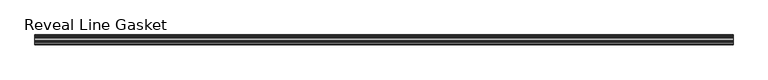
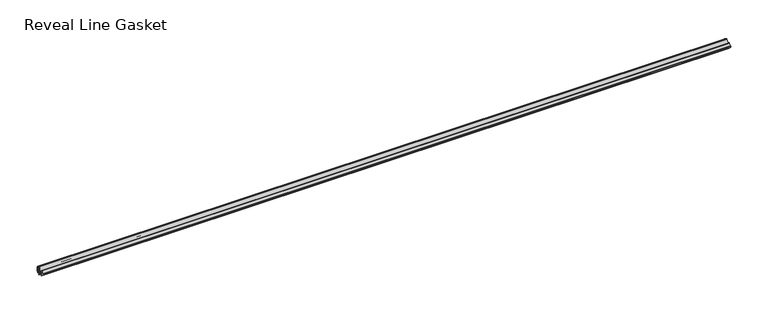
"""IFC4 building model written with IfcOpenShell, lengths in millimetres: furniture geometry, Reveal Line Gasket."""

from ifc_helpers import new_model, si_unit, point, frame, frame_2d, origin, place, context, project, spatial, polyline, circle_curve, trimmed, segment, composite_curve, outline, extrude, source, transform, mapped, element, save


def reveal_line_gasket_d13e8e36(model_context):
    return source(origin(), model_context, "Body", "SweptSolid", [
        extrude(outline(composite_curve([segment(polyline([(7.6326998, 1603.2), (7.6326998, 1597.2), (7.4091917, 1596.2445073), (6.8813059, 1595.3115316)]), True, "CONTINUOUS"), segment(trimmed(circle_curve(frame_2d((6.5243141, 1595.5135207)), 0.4101739), [point((6.8813059, 1595.3115316))], [point((6.1246704, 1595.6058653))], False, "CARTESIAN"), True, "CONTINUOUS"), segment(polyline([(6.1246704, 1595.6058653), (6.3626997, 1597.3020914), (6.3626997, 1599.3345473)]), True, "CONTINUOUS"), segment(trimmed(circle_curve(frame_2d((5.6959605, 1598.9180742)), 0.786124), [point((6.3626997, 1599.3345473))], [point((5.0926996, 1599.422125))], True, "CARTESIAN"), True, "CONTINUOUS"), segment(polyline([(5.0926996, 1599.422125), (0.7492996, 1599.422125), (3.7293824, 1594.2604705)]), True, "CONTINUOUS"), segment(trimmed(circle_curve(frame_2d((3.3132479, 1594.1950239)), 0.4212495), [point((3.7293824, 1594.2604705))], [point((3.0485022, 1593.8673642))], False, "CARTESIAN"), True, "CONTINUOUS"), segment(polyline([(3.0485022, 1593.8673642), (-0.5742594, 1599.422125), (-4.8262978, 1599.422125), (-3.1660374, 1596.5464703)]), True, "CONTINUOUS"), segment(trimmed(circle_curve(frame_2d((-3.5978728, 1596.4881145)), 0.4357605), [point((-3.1660374, 1596.5464703))], [point((-3.864328, 1596.1433119))], False, "CARTESIAN"), True, "CONTINUOUS"), segment(polyline([(-3.864328, 1596.1433119), (-6.1944059, 1599.422125), (-7.6326998, 1599.422125), (-7.6326998, 1600.977875), (-6.1944059, 1600.977875), (-3.864328, 1604.2566881)]), True, "CONTINUOUS"), segment(trimmed(circle_curve(frame_2d((-3.5978728, 1603.9118855)), 0.4357605), [point((-3.864328, 1604.2566881))], [point((-3.1660374, 1603.8535297))], False, "CARTESIAN"), True, "CONTINUOUS"), segment(polyline([(-3.1660374, 1603.8535297), (-4.8262978, 1600.977875), (-0.5742594, 1600.977875), (3.0485022, 1606.5326358)]), True, "CONTINUOUS"), segment(trimmed(circle_curve(frame_2d((3.3132479, 1606.2049761)), 0.4212495), [point((3.0485022, 1606.5326358))], [point((3.7293824, 1606.1395295))], False, "CARTESIAN"), True, "CONTINUOUS"), segment(polyline([(3.7293824, 1606.1395295), (0.7492996, 1600.977875), (5.0926996, 1600.977875)]), True, "CONTINUOUS"), segment(trimmed(circle_curve(frame_2d((5.6959605, 1601.4819258)), 0.786124), [point((5.0926996, 1600.977875))], [point((6.3626997, 1601.0654527))], True, "CARTESIAN"), True, "CONTINUOUS"), segment(polyline([(6.3626997, 1601.0654527), (6.3626997, 1603.0979086), (6.1246704, 1604.7941347)]), True, "CONTINUOUS"), segment(trimmed(circle_curve(frame_2d((6.5243141, 1604.8864793)), 0.4101739), [point((6.1246704, 1604.7941347))], [point((6.8813059, 1605.0884684))], False, "CARTESIAN"), True, "CONTINUOUS"), segment(polyline([(6.8813059, 1605.0884684), (7.4091917, 1604.1554927), (7.6326998, 1603.2)]), True, "CONTINUOUS")], self_intersect=False)), frame((-531.5249999, 0.0, 0.0), z_axis=(1.0, 0.0, 0.0), x_axis=(0.0, 1.0, 0.0)), (0.0, 0.0, 1.0), 1063.0499999),
    ])


if __name__ == "__main__":
    model = new_model("IFC4")
    model_context = context("Model", 3, world=origin())
    ifc_project = project(units=[si_unit("LENGTHUNIT", "METRE", prefix="MILLI")], contexts=[model_context])
    site = spatial("IfcSite", under=ifc_project)
    building = spatial("IfcBuilding", under=site)
    placement = place(None, origin())
    reveal_line_gasket_shape = reveal_line_gasket_d13e8e36(model_context)
    element("IfcFurniture", 1, ObjectType="Reveal Line Gasket", at=placement, inside=building, context=model_context, shape_type="MappedRepresentation", body=[
        mapped(reveal_line_gasket_shape, transform((0.0, 0.0, 0.0), x_axis=(1.0, 0.0, 0.0), y_axis=(0.0, 1.0, 0.0), z_axis=(0.0, 0.0, 1.0))),
    ])
    save(model, "model.ifc")
